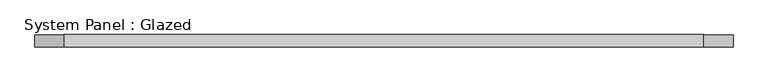
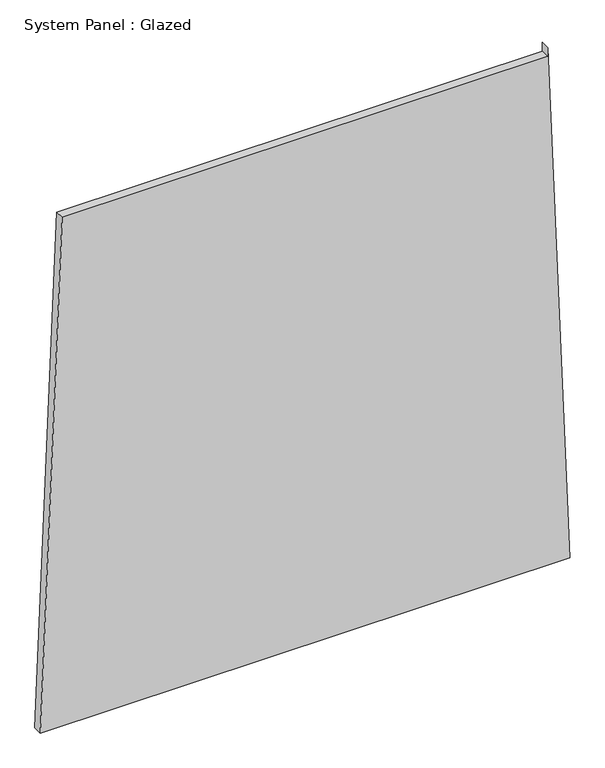
"""IFC4 building model written with IfcOpenShell, lengths in millimetres: plate geometry, System Panel : Glazed."""

from ifc_helpers import new_model, si_unit, frame, origin, place, context, project, spatial, polyline, outline, extrude, source, transform, mapped, element, save


def system_panel_glazed_1cbc5377(model_context):
    return source(origin(), model_context, "Body", "SweptSolid", [
        extrude(outline(polyline([(0.0, -714.3024833), (0.0, 714.3024833), (1473.7616345, 654.3740183), (1448.7616345, 654.3740183), (1448.7616376, -655.3911138), (0.0, -714.3024833)])), frame((0.0, -49.5, 0.0), z_axis=(0.0, 1.0, 0.0), x_axis=(0.0, 0.0, 1.0)), (0.0, 0.0, 1.0), 25.0),
    ])


if __name__ == "__main__":
    model = new_model("IFC4")
    model_context = context("Model", 3, world=origin())
    ifc_project = project(units=[si_unit("LENGTHUNIT", "METRE", prefix="MILLI")], contexts=[model_context])
    site = spatial("IfcSite", under=ifc_project)
    building = spatial("IfcBuilding", under=site)
    placement = place(None, origin())
    system_panel_glazed_shape = system_panel_glazed_1cbc5377(model_context)
    element("IfcPlate", 1, ObjectType="System Panel : Glazed", at=placement, inside=building, context=model_context, shape_type="MappedRepresentation", body=[
        mapped(system_panel_glazed_shape, transform((0.0, 0.0, 0.0), x_axis=(1.0, 0.0, 0.0), y_axis=(0.0, 1.0, 0.0), z_axis=(0.0, 0.0, 1.0))),
    ])
    save(model, "model.ifc")
